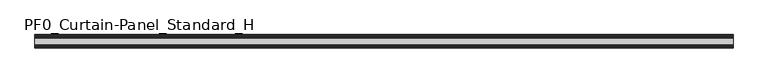
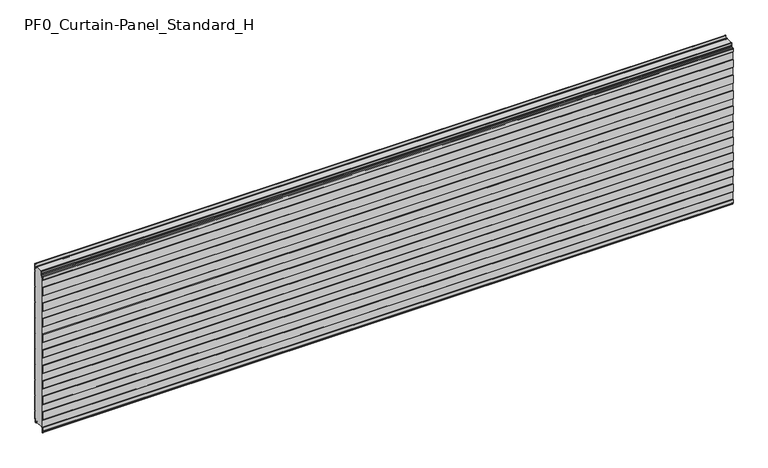
"""IFC4 building model written with IfcOpenShell, lengths in millimetres: plate geometry, PF0_Curtain-Panel_Standard_H."""

from ifc_helpers import new_model, si_unit, point, frame, frame_2d, origin, place, context, project, spatial, polyline, circle_curve, trimmed, segment, composite_curve, outline, extrude, source, transform, mapped, element, save


def pf0_curtain_panel_standard_h_0f6c0e6c(model_context):
    return source(origin(), model_context, "Body", "SweptSolid", [
        extrude(outline(composite_curve([segment(polyline([(-70.0, 0.0), (-73.5, 0.0)]), True, "CONTINUOUS"), segment(trimmed(circle_curve(frame_2d((-73.5, -2.0)), 2.0), [point((-73.5, 0.0))], [point((-75.5, -2.0))], True, "CARTESIAN"), True, "CONTINUOUS"), segment(polyline([(-75.5, -2.0), (-75.5, -33.0)]), True, "CONTINUOUS"), segment(trimmed(circle_curve(frame_2d((-76.5, -33.0)), 1.0), [point((-75.5, -33.0))], [point((-77.5, -33.0))], False, "CARTESIAN"), True, "CONTINUOUS"), segment(polyline([(-77.5, -33.0), (-77.5, -26.9)]), True, "CONTINUOUS"), segment(trimmed(circle_curve(frame_2d((-78.4, -26.9)), 0.9), [point((-77.5, -26.9))], [point((-78.4, -26.0))], True, "CARTESIAN"), True, "CONTINUOUS"), segment(trimmed(circle_curve(frame_2d((-78.4, -24.4)), 1.6), [point((-78.4, -26.0))], [point((-80.0, -24.4))], False, "CARTESIAN"), True, "CONTINUOUS"), segment(polyline([(-80.0, -24.4), (-80.0, -0.9952559), (-78.5, 1.6028217), (-78.5, 46.4028193), (-80.0, 49.0008969), (-80.0, 99.0047441), (-78.5, 101.6028217), (-78.5, 146.4028193), (-80.0, 149.0008969), (-80.0, 199.0047441), (-78.5, 201.6028217), (-78.5, 246.4028193), (-80.0, 249.0008969), (-80.0, 299.0047441), (-78.5, 301.6028217), (-78.5, 346.4028193), (-80.0, 349.0008969), (-80.0, 399.0047441), (-78.5, 401.6028217), (-78.5, 446.4028193), (-80.0, 449.0008969), (-80.0, 499.0047441), (-78.5, 501.6028217), (-78.5, 546.4028193), (-80.0, 549.0008969), (-80.0, 599.0047441), (-78.5, 601.6028217), (-78.5, 646.4028193), (-80.0, 649.0008969), (-80.0, 699.0047441), (-78.5, 701.6028217), (-78.5, 746.4028193), (-80.0, 749.0008969), (-80.0, 799.0047441), (-78.5, 801.6028217), (-78.5, 846.4028193), (-80.0, 849.0008969), (-80.0, 899.0047441), (-78.5, 901.6028217), (-78.5, 946.4028193), (-80.0, 949.0008969), (-80.0, 972.168846)]), True, "CONTINUOUS"), segment(trimmed(circle_curve(frame_2d((-79.0, 972.168846)), 1.0), [point((-80.0, 972.168846))], [point((-78.0, 972.168846))], False, "CARTESIAN"), True, "CONTINUOUS"), segment(polyline([(-78.0, 972.168846), (-78.0, 966.168846)]), True, "CONTINUOUS"), segment(trimmed(circle_curve(frame_2d((-76.5, 966.168846)), 1.5), [point((-78.0, 966.168846))], [point((-75.0, 966.168846))], True, "CARTESIAN"), True, "CONTINUOUS"), segment(polyline([(-75.0, 966.168846), (-75.0, 966.9964664)]), True, "CONTINUOUS"), segment(trimmed(circle_curve(frame_2d((-68.8276204, 966.9964664)), 6.1723796), [point((-75.0, 966.9964664))], [point((-68.8276204, 973.168846))], False, "CARTESIAN"), True, "CONTINUOUS"), segment(polyline([(-68.8276204, 973.168846), (-68.0, 973.168846)]), True, "CONTINUOUS"), segment(trimmed(circle_curve(frame_2d((-68.0, 974.168846)), 1.0), [point((-68.0, 973.168846))], [point((-67.0, 974.168846))], True, "CARTESIAN"), True, "CONTINUOUS"), segment(polyline([(-67.0, 974.168846), (-67.0, 980.6688472), (-65.4999999, 982.168846), (-67.0, 983.6688448), (-67.0, 995.568846)]), True, "CONTINUOUS"), segment(trimmed(circle_curve(frame_2d((-64.4, 995.568846)), 2.6), [point((-67.0, 995.568846))], [point((-64.4, 998.168846))], False, "CARTESIAN"), True, "CONTINUOUS"), segment(polyline([(-64.4, 998.168846), (-63.0, 998.168846), (-63.0, 997.368846), (-64.4, 997.368846)]), True, "CONTINUOUS"), segment(trimmed(circle_curve(frame_2d((-64.4, 995.568846)), 1.8), [point((-64.4, 997.368846))], [point((-66.2, 995.568846))], True, "CARTESIAN"), True, "CONTINUOUS"), segment(polyline([(-66.2, 995.568846), (-66.2, 984.0002158), (-64.3686285, 982.168846), (-66.2, 980.3374762), (-66.2, 974.168846)]), True, "CONTINUOUS"), segment(trimmed(circle_curve(frame_2d((-68.0, 974.168846)), 1.8), [point((-66.2, 974.168846))], [point((-68.0, 972.368846))], False, "CARTESIAN"), True, "CONTINUOUS"), segment(polyline([(-68.0, 972.368846), (-68.8276204, 972.368846)]), True, "CONTINUOUS"), segment(trimmed(circle_curve(frame_2d((-68.8276204, 966.9964664)), 5.3723796), [point((-68.8276204, 972.368846))], [point((-74.2, 966.9964664))], True, "CARTESIAN"), True, "CONTINUOUS"), segment(polyline([(-74.2, 966.9964664), (-74.2, 966.168846)]), True, "CONTINUOUS"), segment(trimmed(circle_curve(frame_2d((-76.4, 966.168846)), 2.2), [point((-74.2, 966.168846))], [point((-78.6, 966.168846))], False, "CARTESIAN"), True, "CONTINUOUS"), segment(polyline([(-78.6, 966.168846), (-78.6, 972.0579973)]), True, "CONTINUOUS"), segment(trimmed(circle_curve(frame_2d((-78.9, 972.0579973)), 0.3), [point((-78.6, 972.0579973))], [point((-79.2, 972.0579973))], True, "CARTESIAN"), True, "CONTINUOUS"), segment(polyline([(-79.2, 972.0579973), (-79.2, 949.2152562), (-77.7, 946.6171786), (-77.7, 901.3884624), (-79.2, 898.7903848), (-79.2, 849.2152562), (-77.7, 846.6171786), (-77.7, 801.3884624), (-79.2, 798.7903848), (-79.2, 749.2152562), (-77.7, 746.6171786), (-77.7, 701.3884624), (-79.2, 698.7903848), (-79.2, 649.2152562), (-77.7, 646.6171786), (-77.7, 601.3884624), (-79.2, 598.7903848), (-79.2, 549.2152562), (-77.7, 546.6171786), (-77.7, 501.3884624), (-79.2, 498.7903848), (-79.2, 449.2152562), (-77.7, 446.6171786), (-77.7, 401.3884624), (-79.2, 398.7903848), (-79.2, 349.2152562), (-77.7, 346.6171786), (-77.7, 301.3884624), (-79.2, 298.7903848), (-79.2, 249.2152562), (-77.7, 246.6171786), (-77.7, 201.3884624), (-79.2, 198.7903848), (-79.2, 149.2152562), (-77.7, 146.6171786), (-77.7, 101.3884624), (-79.2, 98.7903848), (-79.2, 49.2152562), (-77.7, 46.6171786), (-77.7, 1.3884624), (-79.2, -1.2096152), (-79.2, -24.4)]), True, "CONTINUOUS"), segment(trimmed(circle_curve(frame_2d((-78.4, -24.4)), 0.8), [point((-79.2, -24.4))], [point((-78.4, -25.2))], True, "CARTESIAN"), True, "CONTINUOUS"), segment(trimmed(circle_curve(frame_2d((-78.6133333, -26.9)), 1.7133333), [point((-78.4, -25.2))], [point((-76.9, -26.9))], False, "CARTESIAN"), True, "CONTINUOUS"), segment(polyline([(-76.9, -26.9), (-76.9, -32.8700312)]), True, "CONTINUOUS"), segment(trimmed(circle_curve(frame_2d((-76.6, -32.8700312)), 0.3), [point((-76.9, -32.8700312))], [point((-76.3, -32.8700312))], True, "CARTESIAN"), True, "CONTINUOUS"), segment(polyline([(-76.3, -32.8700312), (-76.3, -2.0)]), True, "CONTINUOUS"), segment(trimmed(circle_curve(frame_2d((-73.5, -2.0)), 2.8), [point((-76.3, -2.0))], [point((-73.5, 0.8))], False, "CARTESIAN"), True, "CONTINUOUS"), segment(polyline([(-73.5, 0.8), (-70.0, 0.8), (-70.0, 0.0)]), True, "CONTINUOUS")], self_intersect=False)), frame((-2100.0, 0.0, 0.0), z_axis=(1.0, 0.0, 0.0), x_axis=(0.0, 1.0, 0.0)), (0.0, 0.0, 1.0), 4200.0),
        extrude(outline(composite_curve([segment(polyline([(-15.878557, 0.0), (-20.0, 0.0), (-20.0, 0.8), (-15.878557, 0.8)]), True, "CONTINUOUS"), segment(trimmed(circle_curve(frame_2d((-15.878557, -2.0)), 2.8), [point((-15.878557, 0.8))], [point((-13.1503208, -1.370137))], False, "CARTESIAN"), True, "CONTINUOUS"), segment(polyline([(-13.1503208, -1.370137), (-11.728236, -7.529863)]), True, "CONTINUOUS"), segment(trimmed(circle_curve(frame_2d((-9.0, -6.9)), 2.8), [point((-11.728236, -7.529863))], [point((-6.2, -6.9))], True, "CARTESIAN"), True, "CONTINUOUS"), segment(polyline([(-6.2, -6.9), (-6.2, 8.6)]), True, "CONTINUOUS"), segment(trimmed(circle_curve(frame_2d((-3.4, 8.6)), 2.8), [point((-6.2, 8.6))], [point((-3.4, 11.4))], False, "CARTESIAN"), True, "CONTINUOUS"), segment(polyline([(-3.4, 11.4), (-2.0, 11.4)]), True, "CONTINUOUS"), segment(trimmed(circle_curve(frame_2d((-2.0, 12.6)), 1.2), [point((-2.0, 11.4))], [point((-0.8, 12.6))], True, "CARTESIAN"), True, "CONTINUOUS"), segment(polyline([(-0.8, 12.6), (-0.8, 57.6856412), (-2.482606, 60.6), (-0.8, 63.5143588), (-0.8, 157.6856412), (-2.482606, 160.6), (-0.8, 163.5143588), (-0.8, 257.6856412), (-2.482606, 260.6), (-0.8, 263.5143588), (-0.8, 357.6856412), (-2.482606, 360.6), (-0.8, 363.5143588), (-0.8, 457.6856412), (-2.482606, 460.6), (-0.8, 463.5143588), (-0.8, 557.6856412), (-2.482606, 560.6), (-0.8, 563.5143588), (-0.8, 657.6856412), (-2.482606, 660.6), (-0.8, 663.5143588), (-0.8, 757.6856412), (-2.482606, 760.6), (-0.8, 763.5143588), (-0.8, 857.6856412), (-2.482606, 860.6), (-0.8, 863.5143588), (-0.8, 957.6856412), (-2.482606, 960.6), (-0.8, 963.5143588), (-0.8, 1007.268846)]), True, "CONTINUOUS"), segment(trimmed(circle_curve(frame_2d((-2.5, 1007.268846)), 1.7), [point((-0.8, 1007.268846))], [point((-4.2, 1007.268846))], True, "CARTESIAN"), True, "CONTINUOUS"), segment(polyline([(-4.2, 1007.268846), (-4.2, 990.268846)]), True, "CONTINUOUS"), segment(trimmed(circle_curve(frame_2d((-9.0, 990.268846)), 4.8), [point((-4.2, 990.268846))], [point((-13.7270771, 989.4353344))], False, "CARTESIAN"), True, "CONTINUOUS"), segment(polyline([(-13.7270771, 989.4353344), (-14.8636953, 995.8814129)]), True, "CONTINUOUS"), segment(trimmed(circle_curve(frame_2d((-16.6363492, 995.568846)), 1.8), [point((-14.8636953, 995.8814129))], [point((-16.6363492, 997.368846))], True, "CARTESIAN"), True, "CONTINUOUS"), segment(polyline([(-16.6363492, 997.368846), (-20.0, 997.368846), (-20.0, 998.168846), (-16.6363492, 998.168846)]), True, "CONTINUOUS"), segment(trimmed(circle_curve(frame_2d((-16.6363492, 995.568846)), 2.6), [point((-16.6363492, 998.168846))], [point((-14.0758491, 996.0203315))], False, "CARTESIAN"), True, "CONTINUOUS"), segment(polyline([(-14.0758491, 996.0203315), (-12.939231, 989.574253)]), True, "CONTINUOUS"), segment(trimmed(circle_curve(frame_2d((-9.0, 990.268846)), 4.0), [point((-12.939231, 989.574253))], [point((-5.0, 990.268846))], True, "CARTESIAN"), True, "CONTINUOUS"), segment(polyline([(-5.0, 990.268846), (-5.0, 1007.268846)]), True, "CONTINUOUS"), segment(trimmed(circle_curve(frame_2d((-2.5, 1007.268846)), 2.5), [point((-5.0, 1007.268846))], [point((0.0, 1007.268846))], False, "CARTESIAN"), True, "CONTINUOUS"), segment(polyline([(0.0, 1007.268846), (0.0, 963.2999995), (-1.5588455, 960.6), (0.0, 957.9000005), (0.0, 863.2999995), (-1.5588455, 860.6), (0.0, 857.9000005), (0.0, 763.2999995), (-1.5588455, 760.6), (0.0, 757.9000005), (0.0, 663.2999995), (-1.5588455, 660.6), (0.0, 657.9000005), (0.0, 563.2999995), (-1.5588455, 560.6), (0.0, 557.9000005), (0.0, 463.2999995), (-1.5588455, 460.6), (0.0, 457.9000005), (0.0, 363.2999995), (-1.5588455, 360.6), (0.0, 357.9000005), (0.0, 263.2999995), (-1.5588455, 260.6), (0.0, 257.9000005), (0.0, 163.2999995), (-1.5588455, 160.6), (0.0, 157.9000005), (0.0, 63.2999995), (-1.5588455, 60.6), (0.0, 57.9000005), (0.0, 12.6)]), True, "CONTINUOUS"), segment(trimmed(circle_curve(frame_2d((-2.0, 12.6)), 2.0), [point((0.0, 12.6))], [point((-2.0, 10.6))], False, "CARTESIAN"), True, "CONTINUOUS"), segment(polyline([(-2.0, 10.6), (-3.4, 10.6)]), True, "CONTINUOUS"), segment(trimmed(circle_curve(frame_2d((-3.4, 8.6)), 2.0), [point((-3.4, 10.6))], [point((-5.4, 8.6))], True, "CARTESIAN"), True, "CONTINUOUS"), segment(polyline([(-5.4, 8.6), (-5.4, -6.9)]), True, "CONTINUOUS"), segment(trimmed(circle_curve(frame_2d((-9.0, -6.9)), 3.6), [point((-5.4, -6.9))], [point((-12.5077322, -7.7098239))], False, "CARTESIAN"), True, "CONTINUOUS"), segment(polyline([(-12.5077322, -7.7098239), (-13.929817, -1.5500979)]), True, "CONTINUOUS"), segment(trimmed(circle_curve(frame_2d((-15.878557, -2.0)), 2.0), [point((-13.929817, -1.5500979))], [point((-15.878557, 0.0))], True, "CARTESIAN"), True, "CONTINUOUS")], self_intersect=False)), frame((-2100.0, 0.0, 0.0), z_axis=(1.0, 0.0, 0.0), x_axis=(0.0, 1.0, 0.0)), (0.0, 0.0, 1.0), 4200.0),
        extrude(outline(composite_curve([segment(polyline([(-70.0, 0.8), (-73.5, 0.8)]), True, "CONTINUOUS"), segment(trimmed(circle_curve(frame_2d((-73.5, -2.0)), 2.8), [point((-73.5, 0.8))], [point((-76.3, -2.0))], True, "CARTESIAN"), True, "CONTINUOUS"), segment(polyline([(-76.3, -2.0), (-76.3, -32.8700312)]), True, "CONTINUOUS"), segment(trimmed(circle_curve(frame_2d((-76.6, -32.8700312)), 0.3), [point((-76.3, -32.8700312))], [point((-76.9, -32.8700312))], False, "CARTESIAN"), True, "CONTINUOUS"), segment(polyline([(-76.9, -32.8700312), (-76.9, -26.9)]), True, "CONTINUOUS"), segment(trimmed(circle_curve(frame_2d((-78.6133333, -26.9)), 1.7133333), [point((-76.9, -26.9))], [point((-78.4, -25.2))], True, "CARTESIAN"), True, "CONTINUOUS"), segment(trimmed(circle_curve(frame_2d((-78.4, -24.4)), 0.8), [point((-78.4, -25.2))], [point((-79.2, -24.4))], False, "CARTESIAN"), True, "CONTINUOUS"), segment(polyline([(-79.2, -24.4), (-79.2, -1.2096152), (-77.7, 1.3884624), (-77.7, 46.6171786), (-79.2, 49.2152562), (-79.2, 98.7903848), (-77.7, 101.3884624), (-77.7, 146.6171786), (-79.2, 149.2152562), (-79.2, 198.7903848), (-77.7, 201.3884624), (-77.7, 246.6171786), (-79.2, 249.2152562), (-79.2, 298.7903848), (-77.7, 301.3884624), (-77.7, 346.6171786), (-79.2, 349.2152562), (-79.2, 398.7903848), (-77.7, 401.3884624), (-77.7, 446.6171786), (-79.2, 449.2152562), (-79.2, 498.7903848), (-77.7, 501.3884624), (-77.7, 546.6171786), (-79.2, 549.2152562), (-79.2, 598.7903848), (-77.7, 601.3884624), (-77.7, 646.6171786), (-79.2, 649.2152562), (-79.2, 698.7903848), (-77.7, 701.3884624), (-77.7, 746.6171786), (-79.2, 749.2152562), (-79.2, 798.7903848), (-77.7, 801.3884624), (-77.7, 846.6171786), (-79.2, 849.2152562), (-79.2, 898.7903848), (-77.7, 901.3884624), (-77.7, 946.6171786), (-79.2, 949.2152562), (-79.2, 972.0579973)]), True, "CONTINUOUS"), segment(trimmed(circle_curve(frame_2d((-78.9, 972.0579973)), 0.3), [point((-79.2, 972.0579973))], [point((-78.6, 972.0579973))], False, "CARTESIAN"), True, "CONTINUOUS"), segment(polyline([(-78.6, 972.0579973), (-78.6, 966.168846)]), True, "CONTINUOUS"), segment(trimmed(circle_curve(frame_2d((-76.4, 966.168846)), 2.2), [point((-78.6, 966.168846))], [point((-74.2, 966.168846))], True, "CARTESIAN"), True, "CONTINUOUS"), segment(polyline([(-74.2, 966.168846), (-74.2, 966.9964664)]), True, "CONTINUOUS"), segment(trimmed(circle_curve(frame_2d((-68.8276204, 966.9964664)), 5.3723796), [point((-74.2, 966.9964664))], [point((-68.8276204, 972.368846))], False, "CARTESIAN"), True, "CONTINUOUS"), segment(polyline([(-68.8276204, 972.368846), (-68.0, 972.368846)]), True, "CONTINUOUS"), segment(trimmed(circle_curve(frame_2d((-68.0, 974.168846)), 1.8), [point((-68.0, 972.368846))], [point((-66.2, 974.168846))], True, "CARTESIAN"), True, "CONTINUOUS"), segment(polyline([(-66.2, 974.168846), (-66.2, 980.3374762), (-64.3686285, 982.168846), (-66.2, 984.0002158), (-66.2, 995.568846)]), True, "CONTINUOUS"), segment(trimmed(circle_curve(frame_2d((-64.4, 995.568846)), 1.8), [point((-66.2, 995.568846))], [point((-64.4, 997.368846))], False, "CARTESIAN"), True, "CONTINUOUS"), segment(polyline([(-64.4, 997.368846), (-63.0, 997.368846), (-63.0, 998.168846), (-20.0, 998.168846), (-20.0, 997.368846), (-16.6363492, 997.368846)]), True, "CONTINUOUS"), segment(trimmed(circle_curve(frame_2d((-16.6363492, 995.568846)), 1.8), [point((-16.6363492, 997.368846))], [point((-14.8636953, 995.8814129))], False, "CARTESIAN"), True, "CONTINUOUS"), segment(polyline([(-14.8636953, 995.8814129), (-13.7270772, 989.4353344)]), True, "CONTINUOUS"), segment(trimmed(circle_curve(frame_2d((-9.0, 990.268846)), 4.8), [point((-13.7270772, 989.4353344))], [point((-4.2, 990.268846))], True, "CARTESIAN"), True, "CONTINUOUS"), segment(polyline([(-4.2, 990.268846), (-4.2, 1007.268846)]), True, "CONTINUOUS"), segment(trimmed(circle_curve(frame_2d((-2.5, 1007.268846)), 1.7), [point((-4.2, 1007.268846))], [point((-0.8, 1007.268846))], False, "CARTESIAN"), True, "CONTINUOUS"), segment(polyline([(-0.8, 1007.268846), (-0.8, 963.5143588), (-2.482606, 960.6), (-0.8, 957.6856412), (-0.8, 863.5143588), (-2.482606, 860.6), (-0.8, 857.6856412), (-0.8, 763.5143588), (-2.482606, 760.6), (-0.8, 757.6856412), (-0.8, 663.5143588), (-2.482606, 660.6), (-0.8, 657.6856412), (-0.8, 563.5143588), (-2.482606, 560.6), (-0.8, 557.6856412), (-0.8, 463.5143588), (-2.482606, 460.6), (-0.8, 457.6856412), (-0.8, 363.5143588), (-2.482606, 360.6), (-0.8, 357.6856412), (-0.8, 263.5143588), (-2.482606, 260.6), (-0.8, 257.6856412), (-0.8, 163.5143588), (-2.482606, 160.6), (-0.8, 157.6856412), (-0.8, 63.5143588), (-2.482606, 60.6), (-0.8, 57.6856412), (-0.8, 12.6)]), True, "CONTINUOUS"), segment(trimmed(circle_curve(frame_2d((-2.0, 12.6)), 1.2), [point((-0.8, 12.6))], [point((-2.0, 11.4))], False, "CARTESIAN"), True, "CONTINUOUS"), segment(polyline([(-2.0, 11.4), (-3.4, 11.4)]), True, "CONTINUOUS"), segment(trimmed(circle_curve(frame_2d((-3.4, 8.6)), 2.8), [point((-3.4, 11.4))], [point((-6.2, 8.6))], True, "CARTESIAN"), True, "CONTINUOUS"), segment(polyline([(-6.2, 8.6), (-6.2, -6.9)]), True, "CONTINUOUS"), segment(trimmed(circle_curve(frame_2d((-9.0, -6.9)), 2.8), [point((-6.2, -6.9))], [point((-11.7282362, -7.529863))], False, "CARTESIAN"), True, "CONTINUOUS"), segment(polyline([(-11.7282362, -7.529863), (-13.1503208, -1.370137)]), True, "CONTINUOUS"), segment(trimmed(circle_curve(frame_2d((-15.878557, -2.0)), 2.8), [point((-13.1503208, -1.370137))], [point((-15.878557, 0.8))], True, "CARTESIAN"), True, "CONTINUOUS"), segment(polyline([(-15.878557, 0.8), (-20.0, 0.8), (-20.0, 0.0), (-70.0, 0.0), (-70.0, 0.8)]), True, "CONTINUOUS")], self_intersect=False)), frame((-2100.0, 0.0, 0.0), z_axis=(1.0, 0.0, 0.0), x_axis=(0.0, 1.0, 0.0)), (0.0, 0.0, 1.0), 4200.0),
    ])


if __name__ == "__main__":
    model = new_model("IFC4")
    model_context = context("Model", 3, world=origin())
    ifc_project = project(units=[si_unit("LENGTHUNIT", "METRE", prefix="MILLI")], contexts=[model_context])
    site = spatial("IfcSite", under=ifc_project)
    building = spatial("IfcBuilding", under=site)
    placement = place(None, origin())
    pf0_curtain_panel_standard_h_shape = pf0_curtain_panel_standard_h_0f6c0e6c(model_context)
    element("IfcPlate", 1, ObjectType="PF0_Curtain-Panel_Standard_H", at=placement, inside=building, context=model_context, shape_type="MappedRepresentation", body=[
        mapped(pf0_curtain_panel_standard_h_shape, transform((0.0, 0.0, 0.0), x_axis=(1.0, 0.0, 0.0), y_axis=(0.0, 1.0, 0.0), z_axis=(0.0, 0.0, 1.0))),
    ])
    save(model, "model.ifc")
